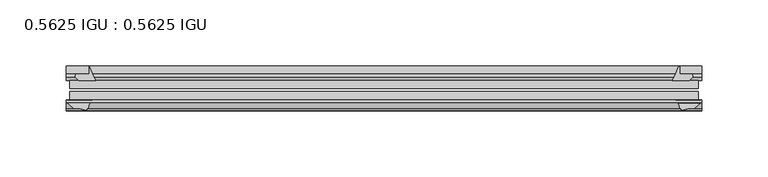
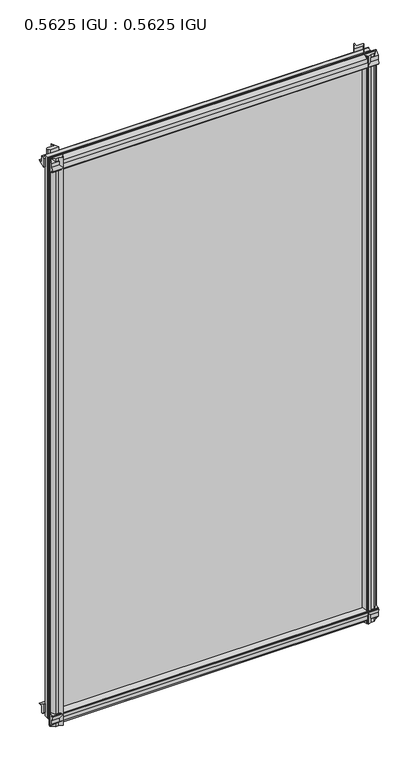
"""IFC4 building model written with IfcOpenShell, lengths in millimetres: plate geometry, 0.5625 IGU : 0.5625 IGU."""

from ifc_helpers import new_model, si_unit, point, frame, frame_2d, origin, place, context, project, spatial, polyline, circle_curve, trimmed, segment, composite_curve, outline, extrude, source, transform, mapped, element, save


def plate_0_5625_igu_0_5625_igu_75f6c4f1(model_context):
    return source(origin(), model_context, "Body", "SweptSolid", [
        extrude(outline(composite_curve([segment(trimmed(circle_curve(frame_2d((-37.8345654, 15.3636795)), 15.5602222), [point((-35.093275, 0.0468313))], [point((-27.955875, 3.3415337))], True, "CARTESIAN"), True, "CONTINUOUS"), segment(polyline([(-27.955875, 3.3415337), (-27.955875, -17.9974199)]), True, "CONTINUOUS"), segment(trimmed(circle_curve(frame_2d((-28.971875, -17.9974199)), 1.016), [point((-27.955875, -17.9974199))], [point((-29.7387172, -18.6639099))], False, "CARTESIAN"), True, "CONTINUOUS"), segment(polyline([(-29.7387172, -18.6639099), (-34.305875, -13.4090837), (-34.305875, -7.4052024), (-35.880675, -1.5279687), (-34.305875, -1.5279687), (-34.305875, -0.7405687)]), True, "CONTINUOUS"), segment(trimmed(circle_curve(frame_2d((-35.093275, -0.7405687)), 0.7874), [point((-34.305875, -0.7405687))], [point((-35.093275, 0.0468313))], True, "CARTESIAN"), True, "CONTINUOUS")], self_intersect=False)), frame((-239.9672346, 0.0, 0.0), z_axis=(1.0, 0.0, 0.0), x_axis=(0.0, 1.0, 0.0)), (0.0, 0.0, 1.0), 479.9344692),
        extrude(outline(composite_curve([segment(trimmed(circle_curve(frame_2d((11.4445684, 45.0767023)), 47.0962123), [point((-13.096875, 4.8800511))], [point((-2.198896, 0.0))], True, "CARTESIAN"), True, "CONTINUOUS"), segment(polyline([(-2.198896, 0.0), (-8.321675, 0.0), (-8.321675, -9.0936065)]), True, "CONTINUOUS"), segment(trimmed(circle_curve(frame_2d((-9.9050751, -9.085239)), 1.5834222), [point((-8.321675, -9.0936065))], [point((-11.0877177, -10.1381313))], False, "CARTESIAN"), True, "CONTINUOUS"), segment(polyline([(-11.0877177, -10.1381313), (-13.096875, -7.8711888), (-13.096875, 4.8800511)]), True, "CONTINUOUS")], self_intersect=False)), frame((-239.9672346, 0.0, 0.0), z_axis=(1.0, 0.0, 0.0), x_axis=(0.0, 1.0, 0.0)), (0.0, 0.0, 1.0), 479.9344692),
        extrude(outline(composite_curve([segment(polyline([(-34.305875, 857.9590837), (-29.7387172, 863.2139099)]), True, "CONTINUOUS"), segment(trimmed(circle_curve(frame_2d((-28.971875, 862.5474199)), 1.016), [point((-29.7387172, 863.2139099))], [point((-27.955875, 862.5474199))], False, "CARTESIAN"), True, "CONTINUOUS"), segment(polyline([(-27.955875, 862.5474199), (-27.955875, 841.2084663)]), True, "CONTINUOUS"), segment(trimmed(circle_curve(frame_2d((-37.8345654, 829.1863205)), 15.5602222), [point((-27.955875, 841.2084663))], [point((-35.093275, 844.5031687))], True, "CARTESIAN"), True, "CONTINUOUS"), segment(trimmed(circle_curve(frame_2d((-35.093275, 845.2905687)), 0.7874), [point((-35.093275, 844.5031687))], [point((-34.305875, 845.2905688))], True, "CARTESIAN"), True, "CONTINUOUS"), segment(polyline([(-34.305875, 845.2905688), (-34.305875, 846.0779687), (-35.880675, 846.0779687), (-34.305875, 851.9552024), (-34.305875, 857.9590837)]), True, "CONTINUOUS")], self_intersect=False)), frame((-239.9672346, 0.0, 0.0), z_axis=(1.0, 0.0, 0.0), x_axis=(0.0, 1.0, 0.0)), (0.0, 0.0, 1.0), 479.9344692),
        extrude(outline(composite_curve([segment(trimmed(circle_curve(frame_2d((-9.9050751, 853.635239)), 1.5834222), [point((-11.0877177, 854.6881313))], [point((-8.321675, 853.6436065))], False, "CARTESIAN"), True, "CONTINUOUS"), segment(polyline([(-8.321675, 853.6436065), (-8.321675, 844.55), (-2.198896, 844.55)]), True, "CONTINUOUS"), segment(trimmed(circle_curve(frame_2d((11.4445684, 799.4732977)), 47.0962123), [point((-2.198896, 844.55))], [point((-13.096875, 839.6699489))], True, "CARTESIAN"), True, "CONTINUOUS"), segment(polyline([(-13.096875, 839.6699489), (-13.096875, 852.4211888), (-11.0877177, 854.6881313)]), True, "CONTINUOUS")], self_intersect=False)), frame((-239.9672346, 0.0, 0.0), z_axis=(1.0, 0.0, 0.0), x_axis=(0.0, 1.0, 0.0)), (0.0, 0.0, 1.0), 479.9344692),
        extrude(outline(composite_curve([segment(polyline([(223.3381144, -8.321675), (231.6073961, -8.321675)]), True, "CONTINUOUS"), segment(trimmed(circle_curve(frame_2d((231.5990286, -9.9050751)), 1.5834222), [point((231.6073961, -8.321675))], [point((232.6519209, -11.0877177))], False, "CARTESIAN"), True, "CONTINUOUS"), segment(polyline([(232.6519209, -11.0877177), (230.3849784, -13.096875), (217.6337385, -13.096875)]), True, "CONTINUOUS"), segment(trimmed(circle_curve(frame_2d((177.4370873, 11.4445684)), 47.0962123), [point((217.6337385, -13.096875))], [point((222.4669583, -2.352675))], True, "CARTESIAN"), True, "CONTINUOUS"), segment(polyline([(222.4669583, -2.352675), (223.3381144, -2.5510821), (223.3381144, -8.321675)]), True, "CONTINUOUS")], self_intersect=False)), frame((0.0, 0.0, -19.0134199), z_axis=(0.0, 0.0, 1.0), x_axis=(1.0, 0.0, 0.0)), (0.0, 0.0, 1.0), 882.2273298),
        extrude(outline(composite_curve([segment(trimmed(circle_curve(frame_2d((238.9512346, -28.971875)), 1.016), [point((238.9512346, -27.955875))], [point((239.6177246, -29.7387172))], False, "CARTESIAN"), True, "CONTINUOUS"), segment(polyline([(239.6177246, -29.7387172), (234.3628984, -34.305875), (230.3507919, -34.305875), (224.4735583, -35.880675), (224.4735583, -34.305875), (223.3832027, -34.305875)]), True, "CONTINUOUS"), segment(trimmed(circle_curve(frame_2d((211.7472501, -36.1215237)), 11.7767556), [point((223.3832027, -34.305875))], [point((220.2333655, -27.955875))], True, "CARTESIAN"), True, "CONTINUOUS"), segment(polyline([(220.2333655, -27.955875), (238.9512346, -27.955875)]), True, "CONTINUOUS")], self_intersect=False)), frame((0.0, 0.0, -19.0134199), z_axis=(0.0, 0.0, 1.0), x_axis=(1.0, 0.0, 0.0)), (0.0, 0.0, 1.0), 882.2273298),
        extrude(outline(composite_curve([segment(trimmed(circle_curve(frame_2d((-177.4370873, 11.4445684)), 47.0962123), [point((-222.4172465, -2.5138875))], [point((-217.6337385, -13.096875))], True, "CARTESIAN"), True, "CONTINUOUS"), segment(polyline([(-217.6337385, -13.096875), (-230.3849784, -13.096875), (-232.6519209, -11.0877177)]), True, "CONTINUOUS"), segment(trimmed(circle_curve(frame_2d((-231.5990286, -9.9050751)), 1.5834222), [point((-232.6519209, -11.0877177))], [point((-231.6073961, -8.321675))], False, "CARTESIAN"), True, "CONTINUOUS"), segment(polyline([(-231.6073961, -8.321675), (-222.4172465, -8.321675), (-222.4172465, -2.5138875)]), True, "CONTINUOUS")], self_intersect=False)), frame((0.0, 0.0, -19.0134199), z_axis=(0.0, 0.0, 1.0), x_axis=(1.0, 0.0, 0.0)), (0.0, 0.0, 1.0), 882.5768398),
        extrude(outline(composite_curve([segment(trimmed(circle_curve(frame_2d((-211.7472501, -36.1215237)), 11.7767556), [point((-220.2333655, -27.955875))], [point((-223.3832027, -34.305875))], True, "CARTESIAN"), True, "CONTINUOUS"), segment(polyline([(-223.3832027, -34.305875), (-224.4735583, -34.305875), (-224.4735583, -35.880675), (-230.3507919, -34.305875), (-234.3628984, -34.305875), (-239.6177246, -29.7387172)]), True, "CONTINUOUS"), segment(trimmed(circle_curve(frame_2d((-238.9512346, -28.971875)), 1.016), [point((-239.6177246, -29.7387172))], [point((-238.9512346, -27.955875))], False, "CARTESIAN"), True, "CONTINUOUS"), segment(polyline([(-238.9512346, -27.955875), (-220.2333655, -27.955875)]), True, "CONTINUOUS")], self_intersect=False)), frame((0.0, 0.0, -19.0134199), z_axis=(0.0, 0.0, 1.0), x_axis=(1.0, 0.0, 0.0)), (0.0, 0.0, 1.0), 882.5768398),
        extrude(outline(polyline([(-237.1862583, -13.096875), (237.1862583, -13.096875), (237.1862583, -19.396075), (-237.1862583, -19.396075), (-237.1862583, -13.096875)])), frame((0.0, 0.0, -13.5929687), z_axis=(0.0, 0.0, 1.0), x_axis=(1.0, 0.0, 0.0)), (0.0, 0.0, 1.0), 871.7359375),
        extrude(outline(polyline([(237.1862583, -21.656675), (237.1862583, -27.955875), (-237.1862583, -27.955875), (-237.1862583, -21.656675), (237.1862583, -21.656675)])), frame((0.0, 0.0, -13.5929687), z_axis=(0.0, 0.0, 1.0), x_axis=(1.0, 0.0, 0.0)), (0.0, 0.0, 1.0), 871.7359375),
    ])


if __name__ == "__main__":
    model = new_model("IFC4")
    model_context = context("Model", 3, world=origin())
    ifc_project = project(units=[si_unit("LENGTHUNIT", "METRE", prefix="MILLI")], contexts=[model_context])
    site = spatial("IfcSite", under=ifc_project)
    building = spatial("IfcBuilding", under=site)
    placement = place(None, origin())
    plate_0_5625_igu_0_5625_igu_shape = plate_0_5625_igu_0_5625_igu_75f6c4f1(model_context)
    element("IfcPlate", 1, ObjectType="0.5625 IGU : 0.5625 IGU", at=placement, inside=building, context=model_context, shape_type="MappedRepresentation", body=[
        mapped(plate_0_5625_igu_0_5625_igu_shape, transform((0.0, 0.0, 0.0), x_axis=(1.0, 0.0, 0.0), y_axis=(0.0, 1.0, 0.0), z_axis=(0.0, 0.0, 1.0))),
    ])
    save(model, "model.ifc")
